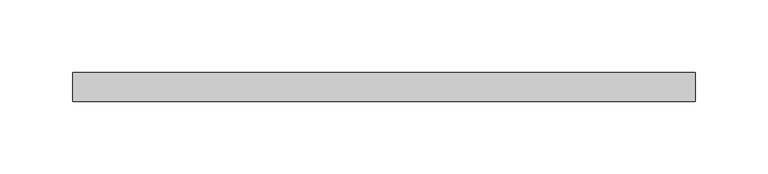
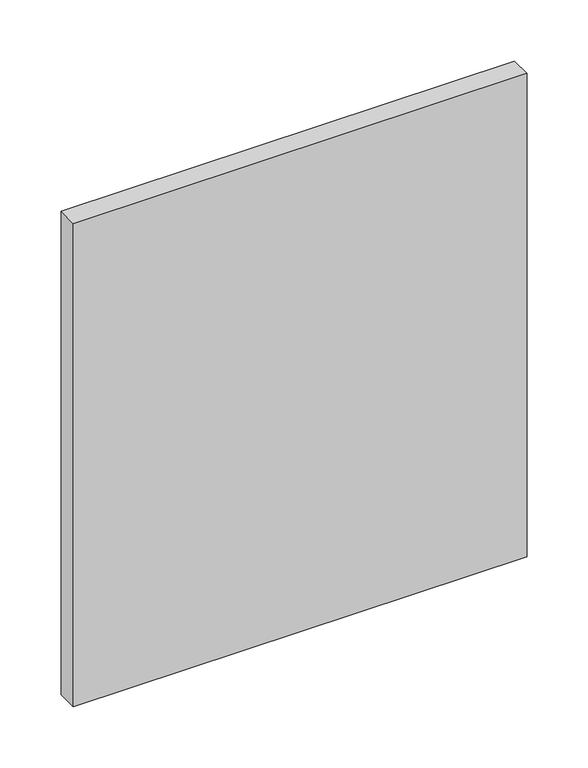
"""IFC4 building model written with IfcOpenShell, lengths in millimetres: plate geometry."""

from ifc_helpers import new_model, si_unit, origin, origin_with_axes, place, context, project, spatial, polyline, outline, extrude, source, transform, mapped, element, save


def plate_2766fd2a(model_context):
    return source(origin(), model_context, "Body", "SweptSolid", [
        extrude(outline(polyline([(214.3421053, -90.0), (-214.3421053, -90.0), (-214.3421053, -70.0), (214.3421053, -70.0), (214.3421053, -90.0)])), origin_with_axes(), (0.0, 0.0, 1.0), 482.7375),
    ])


if __name__ == "__main__":
    model = new_model("IFC4")
    model_context = context("Model", 3, world=origin())
    ifc_project = project(units=[si_unit("LENGTHUNIT", "METRE", prefix="MILLI")], contexts=[model_context])
    site = spatial("IfcSite", under=ifc_project)
    building = spatial("IfcBuilding", under=site)
    placement = place(None, origin())
    plate_shape = plate_2766fd2a(model_context)
    element("IfcPlate", 1, at=placement, inside=building, context=model_context, shape_type="MappedRepresentation", body=[
        mapped(plate_shape, transform((0.0, 0.0, 0.0), x_axis=(1.0, 0.0, 0.0), y_axis=(0.0, 1.0, 0.0), z_axis=(0.0, 0.0, 1.0))),
    ])
    save(model, "model.ifc")
